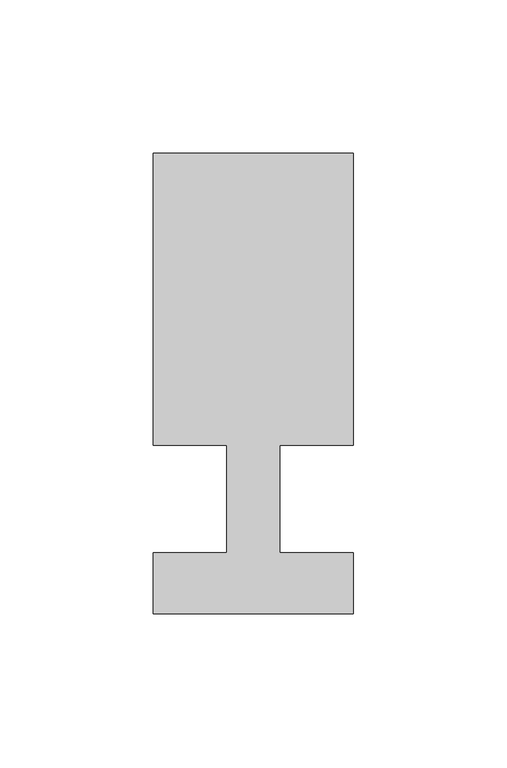
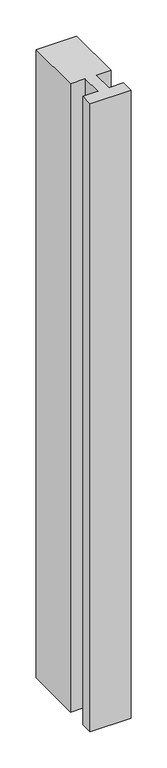
"""IFC4 building model written with IfcOpenShell, lengths in millimetres: member geometry."""

from ifc_helpers import new_model, si_unit, frame, origin, place, context, project, spatial, polyline, outline, extrude, source, transform, mapped, element, save


def member_baaf4fa6(model_context):
    return source(origin(), model_context, "Body", "SweptSolid", [
        extrude(outline(polyline([(-32.5, -37.0), (-32.5, -17.0), (-8.6875, -17.0), (-8.6875, 18.0), (-32.5, 18.0), (-32.5, 113.0), (32.5, 113.0), (32.5, 18.0), (8.6875, 18.0), (8.6875, -17.0), (32.5, -17.0), (32.5, -37.0), (-32.5, -37.0)])), frame((0.0, 0.0, -1060.0), z_axis=(0.0, 0.0, 1.0), x_axis=(1.0, 0.0, 0.0)), (0.0, 0.0, 1.0), 1060.0),
    ])


if __name__ == "__main__":
    model = new_model("IFC4")
    model_context = context("Model", 3, world=origin())
    ifc_project = project(units=[si_unit("LENGTHUNIT", "METRE", prefix="MILLI")], contexts=[model_context])
    site = spatial("IfcSite", under=ifc_project)
    building = spatial("IfcBuilding", under=site)
    placement = place(None, origin())
    member_shape = member_baaf4fa6(model_context)
    element("IfcMember", 1, at=placement, inside=building, context=model_context, shape_type="MappedRepresentation", body=[
        mapped(member_shape, transform((0.0, 0.0, 0.0), x_axis=(1.0, 0.0, 0.0), y_axis=(0.0, 1.0, 0.0), z_axis=(0.0, 0.0, 1.0))),
    ])
    save(model, "model.ifc")
